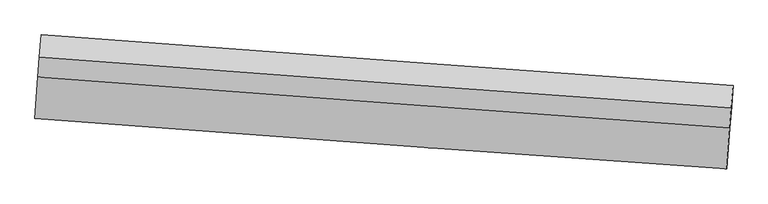
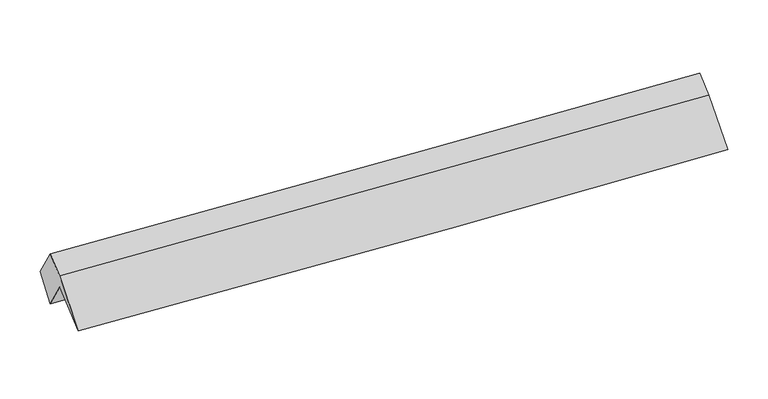
"""IFC4 building model written with IfcOpenShell, lengths in millimetres: proxy geometry."""

from ifc_helpers import new_model, si_unit, frame, origin, place, context, project, spatial, source, transform, mapped, element, save
from ifc_brep_helpers import plane_surface, spline_curve, spline_surface, advanced_brep


def generic_models_c0656c65(model_context):
    return source(origin(), model_context, "Body", "AdvancedBrep", [
        advanced_brep(
        [(-5951.2870056, -1339.389147, 2041.8739952), (-5921.2117049, -979.8222908, 1481.6308074), (5404.1813014, -1808.1616426, 1510.3967679), (5374.1060008, -2167.7284988, 2070.6399557), (-5998.9688186, -2006.266661, 1611.3090167), (5326.4241877, -2834.6060128, 1640.0749773), (-5951.5288214, -1327.7884962, 2243.7795708), (5373.2645846, -2164.5138539, 2267.131163), (-5928.028422, -999.1120697, 2455.9872934), (5396.764984, -1835.8374274, 2479.3388857), (-5897.5341641, -634.5363478, 1887.9397634), (5427.7105639, -1465.8659006, 1902.8841208)],
        [
            (0, 1),
            (1, 2, spline_curve(3, [(-5921.2117049, -979.8222908, 1481.6308074), (-3761.831831527, -1134.748347381, 1482.45195185), (-1602.590957393, -1291.386344293, 1485.940015552), (2172.478908484, -1568.252425525, 1496.701662528), (3788.369036503, -1687.727546238, 1502.802251853), (5404.1813014, -1808.1616426, 1510.3967679)], [4, 2, 4], [0.0, 21.308225960439813, 37.25625115421204])),
            (2, 3),
            (3, 0, spline_curve(3, [(5374.1060008, -2167.7284988, 2070.6399557), (3758.293735767, -2047.294402348, 2063.045439891), (2142.403608069, -1927.819281835, 2056.9448502), (-1632.666258241, -1650.953200579, 2046.183203522), (-3791.9071326, -1494.315203925, 2042.695139911), (-5951.2870056, -1339.389147, 2041.8739952)], [4, 2, 4], [0.0, 15.948030274104614, 37.25626302239867])),
            (4, 0),
            (3, 5),
            (5, 4, spline_curve(3, [(5326.4241877, -2834.6060128, 1640.0749773), (3709.913010872, -2723.946893636, 1626.169312917), (2093.623149358, -2610.062443875, 1616.459144278), (-1681.6816239, -2336.481775127, 1603.576293636), (-3840.522764695, -2174.253107678, 1603.697808298), (-5998.9688186, -2006.266661, 1611.3090167)], [4, 2, 4], [0.0, 15.948030274104614, 37.25626302239867])),
            (6, 4),
            (5, 7),
            (7, 6, spline_curve(3, [(5373.2645846, -2164.5138539, 2267.131163), (3757.125249078, -2048.120086022, 2263.858287116), (2141.084680202, -1930.443567361, 2260.560109385), (-1633.924004546, -1652.542298633, 2252.796111908), (-3792.81457108, -1491.310364976, 2248.310426086), (-5951.5288214, -1327.7884962, 2243.7795708)], [4, 2, 4], [0.0, 15.94803211845177, 37.256267330986105])),
            (8, 6),
            (7, 9),
            (9, 8, spline_curve(3, [(5396.764984, -1835.8374274, 2479.3388857), (3780.625648374, -1719.443659914, 2476.066010162), (2164.585079616, -1601.767140815, 2472.767832183), (-1610.423604931, -1323.865872194, 2465.003834476), (-3769.314171895, -1162.633938307, 2460.518148662), (-5928.028422, -999.1120697, 2455.9872934)], [4, 2, 4], [0.0, 15.948004531709298, 37.256202885476796])),
            (10, 8),
            (9, 11),
            (11, 10, spline_curve(3, [(5427.7105639, -1465.8659006, 1902.8841208), (3811.619426842, -1348.895894283, 1898.713404524), (2195.578857975, -1231.219375642, 1895.4152265), (-1579.542423203, -954.664259995, 1889.748678559), (-3738.583430378, -795.230928072, 1888.065404542), (-5897.5341641, -634.5363478, 1887.9397634)], [4, 2, 4], [0.0, 15.94802884178753, 37.256259676356485])),
            (1, 10),
            (11, 2),
        ],
        [
            plane_surface(frame((-5936.2493552, -1159.6057189, 1761.7524013), z_axis=(-0.059960031498363764, -0.8386005932629056, -0.5414368288192243), x_axis=(0.04513220677088641, 0.5395804986200934, -0.8407234797606651))),
            spline_surface(3, 3, [[(-5998.9688186, -2006.266661, 1611.3090167), (-3840.52276453, -2174.253107731, 1603.697808276), (-1681.681623936, -2336.481775161, 1603.576293296), (2093.623149385, -2610.06244385, 1616.459144533), (3709.913010888, -2723.946893685, 1626.169313082), (5326.4241877, -2834.6060128, 1640.0749773)], [(-5983.074880904, -1783.974156345, 1754.830676186), (-3824.317553743, -1947.607139742, 1750.030252062), (-1665.343168635, -2107.972250297, 1751.111930035), (2109.883302238, -2382.648056496, 1763.287713111), (3726.039919226, -2498.396063205, 1771.794688707), (5342.318125396, -2612.313508145, 1783.596636786)], [(-5967.180943296, -1561.681651655, 1898.352335714), (-3808.112343044, -1720.961171718, 1896.362695891), (-1649.004713351, -1879.462725465, 1898.647566741), (2126.143455073, -2155.233669172, 1910.116281654), (3742.166827577, -2272.84523269, 1917.420064274), (5358.212063104, -2390.021003455, 1927.118296214)], [(-5951.2870056, -1339.389147, 2041.8739952), (-3791.907132257, -1494.315203729, 2042.695139678), (-1632.66625805, -1650.953200601, 2046.18320348), (2142.403607926, -1927.819281818, 2056.944850232), (3758.293735916, -2047.294402209, 2063.045439899), (5374.1060008, -2167.7284988, 2070.6399557)]], [4, 4], [4, 2, 4], [0.0, 2.676014969956422], [0.0, 21.308232748294056, 37.25626302239867]),
            spline_surface(3, 3, [[(-5951.5288214, -1327.7884962, 2243.7795708), (-3792.814571167, -1491.31036492, 2248.31042607), (-1633.924004538, -1652.542298647, 2252.796112032), (2141.084680196, -1930.44356735, 2260.560109291), (3757.125248907, -2048.120086166, 2263.858287356), (5373.2645846, -2164.5138539, 2267.131163)], [(-5967.342153808, -1553.947884468, 2032.956052775), (-3808.717302295, -1718.957945859, 2033.43955348), (-1649.843211027, -1880.522124135, 2036.389505767), (2125.264169902, -2156.983192833, 2045.859787685), (3741.387836231, -2273.395688662, 2051.295295903), (5357.651118964, -2387.877906857, 2058.112434405)], [(-5983.155486192, -1780.107272732, 1822.132534725), (-3824.620033401, -1946.605526793, 1818.568680865), (-1665.762417446, -2108.501949673, 1819.982899561), (2109.443659679, -2383.522818367, 1831.159466139), (3725.650423564, -2498.671291188, 1838.732304535), (5342.037653336, -2611.241959843, 1849.093705895)], [(-5998.9688186, -2006.266661, 1611.3090167), (-3840.52276453, -2174.253107731, 1603.697808276), (-1681.681623936, -2336.481775161, 1603.576293296), (2093.623149385, -2610.06244385, 1616.459144533), (3709.913010888, -2723.946893685, 1626.169313082), (5326.4241877, -2834.6060128, 1640.0749773)]], [4, 4], [4, 2, 4], [0.0, 3.0888298102712444], [0.0, 21.308235212534335, 37.256267330986105]),
            spline_surface(3, 3, [[(-5928.028422, -999.1120697, 2455.9872934), (-3769.314171767, -1162.63393842, 2460.51814867), (-1610.423605038, -1323.865872147, 2465.003834732), (2164.585079696, -1601.76714085, 2472.767831991), (3780.625648307, -1719.443659666, 2476.066010056), (5396.764984, -1835.8374274, 2479.3388857)], [(-5935.86188847, -1108.670878539, 2385.251385861), (-3777.147638236, -1272.19274726, 2389.782241131), (-1618.257071508, -1433.424680986, 2394.267927193), (2156.751613226, -1711.325949689, 2402.031924452), (3772.792181837, -1829.002468505, 2405.330102517), (5388.93151753, -1945.396236239, 2408.602978161)], [(-5943.69535493, -1218.229687361, 2314.515478339), (-3784.981104697, -1381.751556081, 2319.046333609), (-1626.090538068, -1542.983489808, 2323.532019571), (2148.918146665, -1820.884758511, 2331.29601683), (3764.958715377, -1938.561277326, 2334.594194895), (5381.09805107, -2054.955045061, 2337.867070539)], [(-5951.5288214, -1327.7884962, 2243.7795708), (-3792.814571167, -1491.31036492, 2248.31042607), (-1633.924004538, -1652.542298647, 2252.796112032), (2141.084680196, -1930.44356735, 2260.560109291), (3757.125248907, -2048.120086166, 2263.858287356), (5373.2645846, -2164.5138539, 2267.131163)]], [4, 4], [4, 2, 4], [0.0, 1.285874039839332], [0.0, 21.308198353767498, 37.256202885476796]),
            spline_surface(3, 3, [[(-5897.5341641, -634.5363478, 1887.9397634), (-3738.583430591, -795.230928143, 1888.06540438), (-1579.542423241, -954.664260294, 1889.748678741), (2195.578858004, -1231.219375419, 1895.415226364), (3811.619426615, -1348.895894234, 1898.713404429), (5427.7105639, -1465.8659006, 1902.8841208)], [(-5907.69891672, -756.061588407, 2077.288940072), (-3748.82701097, -917.698598209, 2078.882985815), (-1589.836150515, -1077.731464248, 2081.500397376), (2185.247598559, -1354.735297232, 2087.866094878), (3801.28816717, -1472.411816047, 2091.164272943), (5417.395370591, -1589.189742869, 2095.035709072)], [(-5917.86366938, -877.586829093, 2266.638116728), (-3759.070591388, -1040.166268354, 2269.700567234), (-1600.129877763, -1200.798668193, 2273.252116097), (2174.916339141, -1478.251219037, 2280.316963477), (3790.956907752, -1595.927737852, 2283.615141542), (5407.080177309, -1712.513585131, 2287.187297428)], [(-5928.028422, -999.1120697, 2455.9872934), (-3769.314171767, -1162.63393842, 2460.51814867), (-1610.423605038, -1323.865872147, 2465.003834732), (2164.585079696, -1601.76714085, 2472.767831991), (3780.625648307, -1719.443659666, 2476.066010056), (5396.764984, -1835.8374274, 2479.3388857)]], [4, 4], [4, 2, 4], [0.0, 2.2474941940640045], [0.0, 21.308230834568956, 37.256259676356485]),
            spline_surface(3, 3, [[(-5921.2117049, -979.8222908, 1481.6308074), (-3761.831831557, -1134.748347529, 1482.451951878), (-1602.59095745, -1291.386344301, 1485.94001568), (2172.478908526, -1568.252425518, 1496.701662432), (3788.369036516, -1687.727546009, 1502.802252099), (5404.1813014, -1808.1616426, 1510.3967679)], [(-5913.319191305, -864.726976498, 1617.067126066), (-3754.082364574, -1021.575874432, 1617.656436045), (-1594.908112724, -1179.145649641, 1620.542903371), (2180.178891675, -1455.908075494, 1629.606183746), (3796.119166561, -1574.783662098, 1634.772636213), (5412.024388912, -1694.063061947, 1641.225885538)], [(-5905.426677695, -749.631662102, 1752.503444734), (-3746.332897574, -908.40340124, 1752.860920213), (-1587.225267967, -1066.904954954, 1755.14579105), (2187.878874855, -1343.563725443, 1762.51070505), (3803.86929657, -1461.839778145, 1766.743020314), (5419.867476388, -1579.964481253, 1772.055003162)], [(-5897.5341641, -634.5363478, 1887.9397634), (-3738.583430591, -795.230928143, 1888.06540438), (-1579.542423241, -954.664260294, 1889.748678741), (2195.578858004, -1231.219375419, 1895.415226364), (3811.619426615, -1348.895894234, 1898.713404429), (5427.7105639, -1465.8659006, 1902.8841208)]], [4, 4], [4, 2, 4], [0.0, 1.7224909328981193], [0.0, 21.308225960439813, 37.25625115421204]),
            plane_surface(frame((5383.741937, -2046.1188894, 1978.4109784), z_axis=(0.997179962962907, -0.07484604523950887, 0.005494631680169851), x_axis=(-0.05996003149836382, -0.8386005932629006, -0.541436828819232))),
            plane_surface(frame((-5941.4264894, -1214.4858354, 1953.7534078), z_axis=(-0.9971799629629062, 0.07484604523952178, -0.0054946316801523926), x_axis=(-0.045132206770884475, -0.5395804986201027, 0.8407234797606592))),
        ],
        [
            (0, [[1, 2, 3, 4]]),
            (1, [[5, -4, 6, 7]]),
            (2, [[8, -7, 9, 10]]),
            (3, [[11, -10, 12, 13]]),
            (4, [[14, -13, 15, 16]]),
            (5, [[17, -16, 18, -2]]),
            (6, [[-12, -9, -6, -3, -18, -15]]),
            (7, [[-1, -5, -8, -11, -14, -17]]),
        ],
    ),
    ])


if __name__ == "__main__":
    model = new_model("IFC4")
    model_context = context("Model", 3, world=origin())
    ifc_project = project(units=[si_unit("LENGTHUNIT", "METRE", prefix="MILLI")], contexts=[model_context])
    site = spatial("IfcSite", under=ifc_project)
    building = spatial("IfcBuilding", under=site)
    placement = place(None, origin())
    generic_models_shape = generic_models_c0656c65(model_context)
    element("IfcBuildingElementProxy", 1, Name="Generic Models", at=placement, inside=building, context=model_context, shape_type="MappedRepresentation", body=[
        mapped(generic_models_shape, transform((0.0, 0.0, 0.0), x_axis=(1.0, 0.0, 0.0), y_axis=(0.0, 1.0, 0.0), z_axis=(0.0, 0.0, 1.0))),
    ])
    save(model, "model.ifc")
